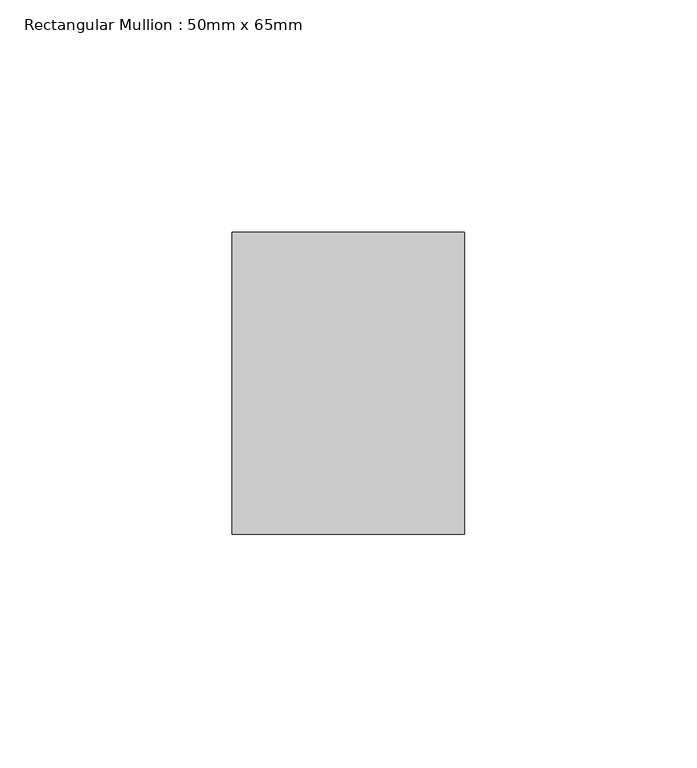
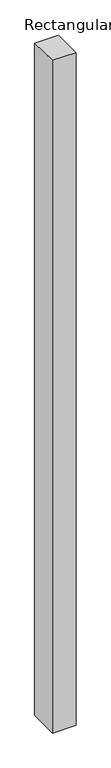
"""IFC4 building model written with IfcOpenShell, lengths in millimetres: member geometry, Rectangular Mullion : 50mm x 65mm."""

from ifc_helpers import new_model, si_unit, origin, place, context, project, spatial, faceted_brep, source, transform, mapped, element, save


def rectangular_mullion_50mm_x_65mm_44be1a12(model_context):
    return source(origin(), model_context, "Body", "Brep", [
        faceted_brep([(-25.0, 32.5, -0.4073269), (25.0, 32.5, -0.4073254), (25.0, 32.5, -1499.694161), (-25.0, 32.5, -1499.6941598), (-25.0, -32.5, 0.4073254), (-25.0, -32.5, -1500.3056075), (25.0, -32.5, 0.4073269), (25.0, -32.5, -1500.3056086)], [[[0, 1, 2, 3]], [[4, 0, 3, 5]], [[6, 4, 5, 7]], [[1, 6, 7, 2]], [[1, 0, 4, 6]], [[2, 7, 5, 3]]]),
    ])


if __name__ == "__main__":
    model = new_model("IFC4")
    model_context = context("Model", 3, world=origin())
    ifc_project = project(units=[si_unit("LENGTHUNIT", "METRE", prefix="MILLI")], contexts=[model_context])
    site = spatial("IfcSite", under=ifc_project)
    building = spatial("IfcBuilding", under=site)
    placement = place(None, origin())
    rectangular_mullion_50mm_x_65mm_shape = rectangular_mullion_50mm_x_65mm_44be1a12(model_context)
    element("IfcMember", 1, ObjectType="Rectangular Mullion : 50mm x 65mm", at=placement, inside=building, context=model_context, shape_type="MappedRepresentation", body=[
        mapped(rectangular_mullion_50mm_x_65mm_shape, transform((0.0, 0.0, 0.0), x_axis=(1.0, 0.0, 0.0), y_axis=(0.0, 1.0, 0.0), z_axis=(0.0, 0.0, 1.0))),
    ])
    save(model, "model.ifc")
